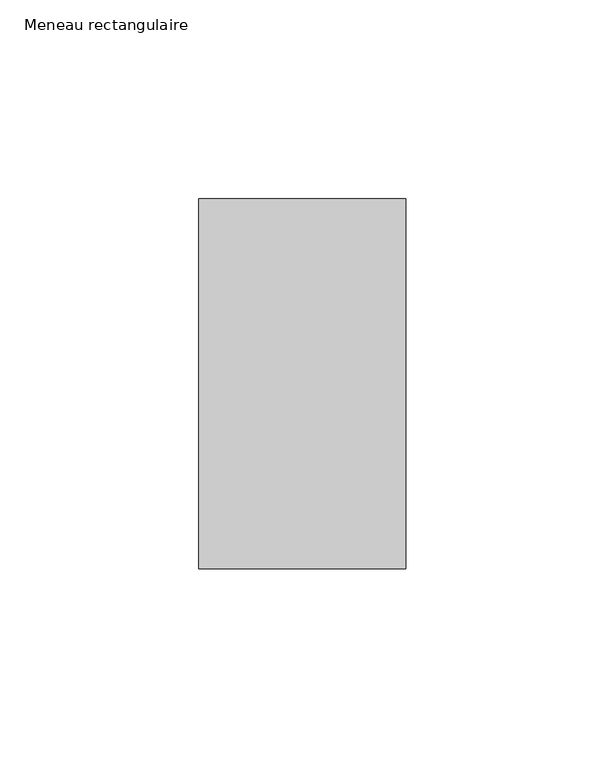
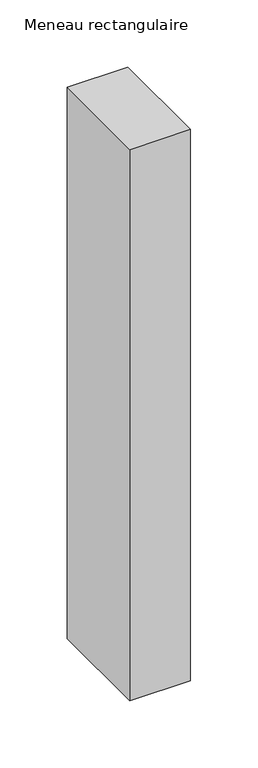
"""IFC4 building model written with IfcOpenShell, lengths in millimetres: member geometry, Meneau rectangulaire."""

from ifc_helpers import new_model, si_unit, frame, origin, place, context, project, spatial, polyline, outline, extrude, source, transform, mapped, element, save


def meneau_rectangulaire_1f9afd7f(model_context):
    return source(origin(), model_context, "Body", "SweptSolid", [
        extrude(outline(polyline([(0.0, 46.5), (0.0, -46.5), (-52.0, -46.5), (-52.0, 46.5), (0.0, 46.5)])), frame((0.0, 0.0, -500.0), z_axis=(0.0, 0.0, 1.0), x_axis=(1.0, 0.0, 0.0)), (0.0, 0.0, 1.0), 500.0),
    ])


if __name__ == "__main__":
    model = new_model("IFC4")
    model_context = context("Model", 3, world=origin())
    ifc_project = project(units=[si_unit("LENGTHUNIT", "METRE", prefix="MILLI")], contexts=[model_context])
    site = spatial("IfcSite", under=ifc_project)
    building = spatial("IfcBuilding", under=site)
    placement = place(None, origin())
    meneau_rectangulaire_shape = meneau_rectangulaire_1f9afd7f(model_context)
    element("IfcMember", 1, ObjectType="Meneau rectangulaire", at=placement, inside=building, context=model_context, shape_type="MappedRepresentation", body=[
        mapped(meneau_rectangulaire_shape, transform((0.0, 0.0, 0.0), x_axis=(1.0, 0.0, 0.0), y_axis=(0.0, 1.0, 0.0), z_axis=(0.0, 0.0, 1.0))),
    ])
    save(model, "model.ifc")
